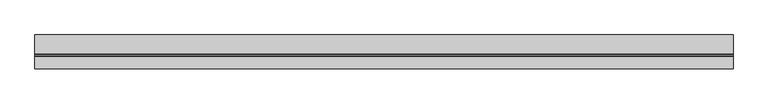
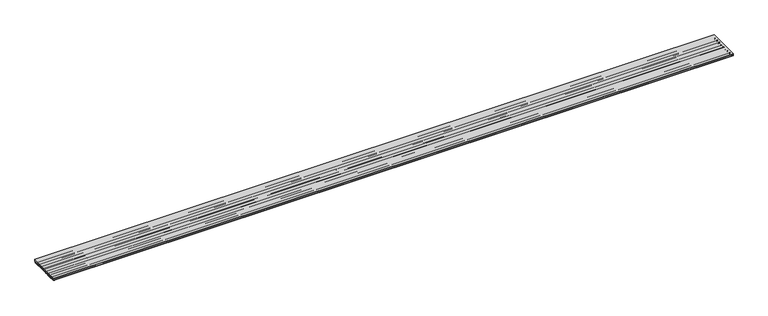
"""IFC4 building model written with IfcOpenShell, lengths in millimetres: beam geometry."""

from ifc_helpers import new_model, si_unit, point, frame, frame_2d, origin, place, context, project, spatial, polyline, circle_curve, trimmed, segment, composite_curve, outline, extrude, source, transform, mapped, element, save


def beam_b6786e03(model_context):
    return source(origin(), model_context, "Body", "SweptSolid", [
        extrude(outline(composite_curve([segment(trimmed(circle_curve(frame_2d((291.0579762, -49.919344)), 17.5155422), [point((273.7759172, -52.7697219))], [point((275.4842479, -57.9351537))], True, "CARTESIAN"), True, "CONTINUOUS"), segment(trimmed(circle_curve(frame_2d((263.6173635, -64.8865282)), 13.7529834), [point((275.4842479, -57.9351537))], [point((277.2756242, -63.2751725))], False, "CARTESIAN"), True, "CONTINUOUS"), segment(trimmed(circle_curve(frame_2d((274.2822159, -63.3344337)), 2.9939948), [point((277.2756242, -63.2751725))], [point((274.2793754, -66.3284271))], False, "CARTESIAN"), True, "CONTINUOUS"), segment(trimmed(circle_curve(frame_2d((260.2793754, -311.1284271)), 245.2), [point((274.2793754, -66.3284271))], [point((246.2793754, -66.3284271))], True, "CARTESIAN"), True, "CONTINUOUS"), segment(trimmed(circle_curve(frame_2d((246.276535, -63.3344337)), 2.9939948), [point((246.2793754, -66.3284271))], [point((243.2831267, -63.2751725))], False, "CARTESIAN"), True, "CONTINUOUS"), segment(trimmed(circle_curve(frame_2d((256.9413874, -64.8865282)), 13.7529834), [point((243.2831267, -63.2751725))], [point((245.074503, -57.9351537))], False, "CARTESIAN"), True, "CONTINUOUS"), segment(trimmed(circle_curve(frame_2d((229.2514698, -49.8147117)), 17.7851049), [point((245.074503, -57.9351537))], [point((246.7793754, -52.8284271))], True, "CARTESIAN"), True, "CONTINUOUS"), segment(trimmed(circle_curve(frame_2d((244.2793754, -52.8284271)), 2.5), [point((246.7793754, -52.8284271))], [point((244.2793754, -50.3284271))], True, "CARTESIAN"), True, "CONTINUOUS"), segment(trimmed(circle_curve(frame_2d((228.2793754, 269.4713776)), 320.1998049), [point((244.2793754, -50.3284271))], [point((212.2793754, -50.3284271))], False, "CARTESIAN"), True, "CONTINUOUS"), segment(trimmed(circle_curve(frame_2d((212.2824355, -52.8358148)), 2.5073896), [point((212.2793754, -50.3284271))], [point((209.7759172, -52.7697219))], True, "CARTESIAN"), True, "CONTINUOUS"), segment(trimmed(circle_curve(frame_2d((227.0579762, -49.919344)), 17.5155422), [point((209.7759172, -52.7697219))], [point((211.4842479, -57.9351537))], True, "CARTESIAN"), True, "CONTINUOUS"), segment(trimmed(circle_curve(frame_2d((199.6173635, -64.8865282)), 13.7529834), [point((211.4842479, -57.9351537))], [point((213.2756242, -63.2751725))], False, "CARTESIAN"), True, "CONTINUOUS"), segment(trimmed(circle_curve(frame_2d((210.2457776, -63.2985236)), 3.0299366), [point((213.2756242, -63.2751725))], [point((210.259919, -66.3284271))], False, "CARTESIAN"), True, "CONTINUOUS"), segment(trimmed(circle_curve(frame_2d((196.2934628, -309.9543964)), 244.0259716), [point((210.259919, -66.3284271))], [point((182.3270065, -66.3284271))], True, "CARTESIAN"), True, "CONTINUOUS"), segment(trimmed(circle_curve(frame_2d((182.3270065, -63.3284271)), 3.0), [point((182.3270065, -66.3284271))], [point((179.3845273, -62.7437766))], False, "CARTESIAN"), True, "CONTINUOUS"), segment(trimmed(circle_curve(frame_2d((192.9413874, -65.058101)), 13.7529834), [point((179.3845273, -62.7437766))], [point((181.074503, -58.1067266))], False, "CARTESIAN"), True, "CONTINUOUS"), segment(trimmed(circle_curve(frame_2d((165.2514698, -49.9862846)), 17.7851049), [point((181.074503, -58.1067266))], [point((182.7793754, -53.0))], True, "CARTESIAN"), True, "CONTINUOUS"), segment(trimmed(circle_curve(frame_2d((180.2780735, -53.0005393)), 2.501302), [point((182.7793754, -53.0))], [point((180.3043598, -50.4993754))], True, "CARTESIAN"), True, "CONTINUOUS"), segment(trimmed(circle_curve(frame_2d((164.2856254, 269.55)), 320.4500001), [point((180.3043598, -50.4993754))], [point((148.2793754, -50.5))], False, "CARTESIAN"), True, "CONTINUOUS"), segment(trimmed(circle_curve(frame_2d((148.2793754, -53.0)), 2.5), [point((148.2793754, -50.5))], [point((145.7793754, -53.0))], True, "CARTESIAN"), True, "CONTINUOUS"), segment(trimmed(circle_curve(frame_2d((163.3072811, -49.9862846)), 17.7851049), [point((145.7793754, -53.0))], [point((147.4842479, -58.1067266))], True, "CARTESIAN"), True, "CONTINUOUS"), segment(trimmed(circle_curve(frame_2d((135.6173635, -65.058101)), 13.7529834), [point((147.4842479, -58.1067266))], [point((149.2756242, -63.4467454))], False, "CARTESIAN"), True, "CONTINUOUS"), segment(trimmed(circle_curve(frame_2d((146.2822159, -63.5060065)), 2.9939948), [point((149.2756242, -63.4467454))], [point((146.2793754, -66.5))], False, "CARTESIAN"), True, "CONTINUOUS"), segment(trimmed(circle_curve(frame_2d((132.2793754, -311.3)), 245.2), [point((146.2793754, -66.5))], [point((118.2793754, -66.5))], True, "CARTESIAN"), True, "CONTINUOUS"), segment(trimmed(circle_curve(frame_2d((118.276535, -63.5060065)), 2.9939948), [point((118.2793754, -66.5))], [point((115.2831267, -63.4467454))], False, "CARTESIAN"), True, "CONTINUOUS"), segment(trimmed(circle_curve(frame_2d((128.9413874, -65.058101)), 13.7529834), [point((115.2831267, -63.4467454))], [point((117.074503, -58.1067266))], False, "CARTESIAN"), True, "CONTINUOUS"), segment(trimmed(circle_curve(frame_2d((101.2514698, -49.9862846)), 17.7851049), [point((117.074503, -58.1067266))], [point((118.7793754, -53.0))], True, "CARTESIAN"), True, "CONTINUOUS"), segment(trimmed(circle_curve(frame_2d((116.2793754, -53.0)), 2.5), [point((118.7793754, -53.0))], [point((116.2913015, -50.5000284))], True, "CARTESIAN"), True, "CONTINUOUS"), segment(trimmed(circle_curve(frame_2d((100.2856229, 269.5497958)), 320.449796), [point((116.2913015, -50.5000284))], [point((84.2793754, -50.5))], False, "CARTESIAN"), True, "CONTINUOUS"), segment(trimmed(circle_curve(frame_2d((84.2793754, -53.0)), 2.5), [point((84.2793754, -50.5))], [point((81.7793754, -53.0))], True, "CARTESIAN"), True, "CONTINUOUS"), segment(trimmed(circle_curve(frame_2d((99.3072811, -49.9862846)), 17.7851049), [point((81.7793754, -53.0))], [point((83.4842479, -58.1067266))], True, "CARTESIAN"), True, "CONTINUOUS"), segment(trimmed(circle_curve(frame_2d((71.6173635, -65.058101)), 13.7529834), [point((83.4842479, -58.1067266))], [point((85.2756242, -63.4467454))], False, "CARTESIAN"), True, "CONTINUOUS"), segment(trimmed(circle_curve(frame_2d((82.2822159, -63.5060065)), 2.9939948), [point((85.2756242, -63.4467454))], [point((82.2793754, -66.5))], False, "CARTESIAN"), True, "CONTINUOUS"), segment(trimmed(circle_curve(frame_2d((68.2793754, -311.3)), 245.2), [point((82.2793754, -66.5))], [point((54.2793754, -66.5))], True, "CARTESIAN"), True, "CONTINUOUS"), segment(trimmed(circle_curve(frame_2d((54.2793754, -63.5)), 3.0), [point((54.2793754, -66.5))], [point((51.3368963, -62.9153495))], False, "CARTESIAN"), True, "CONTINUOUS"), segment(trimmed(circle_curve(frame_2d((65.5304535, -65.3259679)), 14.3968104), [point((51.3368963, -62.9153495))], [point((53.074503, -58.1067266))], False, "CARTESIAN"), True, "CONTINUOUS"), segment(trimmed(circle_curve(frame_2d((37.2514698, -49.9862846)), 17.7851049), [point((53.074503, -58.1067266))], [point((54.7793754, -53.0))], True, "CARTESIAN"), True, "CONTINUOUS"), segment(trimmed(circle_curve(frame_2d((52.2793754, -53.0)), 2.5), [point((54.7793754, -53.0))], [point((52.2793754, -50.5))], True, "CARTESIAN"), True, "CONTINUOUS"), segment(trimmed(circle_curve(frame_2d((36.2793754, 269.2998048)), 320.1998051), [point((52.2793754, -50.5))], [point((20.2793754, -50.5))], False, "CARTESIAN"), True, "CONTINUOUS"), segment(trimmed(circle_curve(frame_2d((20.2793754, -53.0)), 2.5), [point((20.2793754, -50.5))], [point((17.7793754, -53.0))], True, "CARTESIAN"), True, "CONTINUOUS"), segment(trimmed(circle_curve(frame_2d((35.3072811, -49.9862846)), 17.7851049), [point((17.7793754, -53.0))], [point((19.4842479, -58.1067266))], True, "CARTESIAN"), True, "CONTINUOUS"), segment(trimmed(circle_curve(frame_2d((7.6173635, -65.058101)), 13.7529834), [point((19.4842479, -58.1067266))], [point((21.2756242, -63.4467454))], False, "CARTESIAN"), True, "CONTINUOUS"), segment(trimmed(circle_curve(frame_2d((18.2822159, -63.5060065)), 2.9939948), [point((21.2756242, -63.4467454))], [point((18.2793754, -66.5))], False, "CARTESIAN"), True, "CONTINUOUS"), segment(trimmed(circle_curve(frame_2d((4.2793754, -311.3)), 245.2), [point((18.2793754, -66.5))], [point((-9.7206246, -66.5))], True, "CARTESIAN"), True, "CONTINUOUS"), segment(trimmed(circle_curve(frame_2d((-9.723465, -63.5060065)), 2.9939948), [point((-9.7206246, -66.5))], [point((-12.7168733, -63.4467454))], False, "CARTESIAN"), True, "CONTINUOUS"), segment(trimmed(circle_curve(frame_2d((0.9413874, -65.058101)), 13.7529834), [point((-12.7168733, -63.4467454))], [point((-10.925497, -58.1067266))], False, "CARTESIAN"), True, "CONTINUOUS"), segment(trimmed(circle_curve(frame_2d((-26.7485302, -49.9862846)), 17.7851049), [point((-10.925497, -58.1067266))], [point((-9.2206246, -53.0))], True, "CARTESIAN"), True, "CONTINUOUS"), segment(trimmed(circle_curve(frame_2d((-11.7206246, -53.0)), 2.5), [point((-9.2206246, -53.0))], [point((-11.7206246, -50.5))], True, "CARTESIAN"), True, "CONTINUOUS"), segment(trimmed(circle_curve(frame_2d((-27.7206246, 269.2998047)), 320.1998049), [point((-11.7206246, -50.5))], [point((-43.7206246, -50.5))], False, "CARTESIAN"), True, "CONTINUOUS"), segment(trimmed(circle_curve(frame_2d((-43.7206246, -53.0)), 2.5), [point((-43.7206246, -50.5))], [point((-46.2206246, -53.0))], True, "CARTESIAN"), True, "CONTINUOUS"), segment(trimmed(circle_curve(frame_2d((-28.6927189, -49.9862846)), 17.7851049), [point((-46.2206246, -53.0))], [point((-44.5157521, -58.1067266))], True, "CARTESIAN"), True, "CONTINUOUS"), segment(trimmed(circle_curve(frame_2d((-56.3826365, -65.058101)), 13.7529834), [point((-44.5157521, -58.1067266))], [point((-42.7243758, -63.4467454))], False, "CARTESIAN"), True, "CONTINUOUS"), segment(trimmed(circle_curve(frame_2d((-45.7177841, -63.5060065)), 2.9939948), [point((-42.7243758, -63.4467454))], [point((-45.7206246, -66.5))], False, "CARTESIAN"), True, "CONTINUOUS"), segment(trimmed(circle_curve(frame_2d((-59.7206246, -311.3)), 245.2), [point((-45.7206246, -66.5))], [point((-73.7206246, -66.5))], True, "CARTESIAN"), True, "CONTINUOUS"), segment(trimmed(circle_curve(frame_2d((-73.7206246, -63.5)), 3.0), [point((-73.7206246, -66.5))], [point((-76.6631037, -62.9153495))], False, "CARTESIAN"), True, "CONTINUOUS"), segment(trimmed(circle_curve(frame_2d((-62.4695465, -65.3259679)), 14.3968104), [point((-76.6631037, -62.9153495))], [point((-74.925497, -58.1067266))], False, "CARTESIAN"), True, "CONTINUOUS"), segment(trimmed(circle_curve(frame_2d((-90.4992253, -50.0909169)), 17.5155422), [point((-74.925497, -58.1067266))], [point((-73.2171663, -52.9412948))], True, "CARTESIAN"), True, "CONTINUOUS"), segment(trimmed(circle_curve(frame_2d((-75.7234399, -53.0072807)), 2.5071421), [point((-73.2171663, -52.9412948))], [point((-75.7206246, -50.5001402))], True, "CARTESIAN"), True, "CONTINUOUS"), segment(trimmed(circle_curve(frame_2d((-91.7192235, 269.3558014)), 320.2558017), [point((-75.7206246, -50.5001402))], [point((-107.7206246, -50.5))], False, "CARTESIAN"), True, "CONTINUOUS"), segment(trimmed(circle_curve(frame_2d((-107.7206246, -53.0)), 2.5), [point((-107.7206246, -50.5))], [point((-110.2206246, -53.0))], True, "CARTESIAN"), True, "CONTINUOUS"), segment(trimmed(circle_curve(frame_2d((-92.6927189, -49.9862846)), 17.7851049), [point((-110.2206246, -53.0))], [point((-108.5157521, -58.1067266))], True, "CARTESIAN"), True, "CONTINUOUS"), segment(trimmed(circle_curve(frame_2d((-120.3826365, -65.058101)), 13.7529834), [point((-108.5157521, -58.1067266))], [point((-106.7243758, -63.4467454))], False, "CARTESIAN"), True, "CONTINUOUS"), segment(trimmed(circle_curve(frame_2d((-109.7177841, -63.5060065)), 2.9939948), [point((-106.7243758, -63.4467454))], [point((-109.7206246, -66.5))], False, "CARTESIAN"), True, "CONTINUOUS"), segment(trimmed(circle_curve(frame_2d((-123.7206246, -311.3)), 245.2), [point((-109.7206246, -66.5))], [point((-137.7206246, -66.5))], True, "CARTESIAN"), True, "CONTINUOUS"), segment(trimmed(circle_curve(frame_2d((-137.7206246, -63.5)), 3.0), [point((-137.7206246, -66.5))], [point((-140.6631037, -62.9153495))], False, "CARTESIAN"), True, "CONTINUOUS"), segment(trimmed(circle_curve(frame_2d((-126.4695465, -65.3259679)), 14.3968104), [point((-140.6631037, -62.9153495))], [point((-138.925497, -58.1067266))], False, "CARTESIAN"), True, "CONTINUOUS"), segment(trimmed(circle_curve(frame_2d((-154.7485302, -49.9862846)), 17.7851049), [point((-138.925497, -58.1067266))], [point((-137.2206246, -53.0))], True, "CARTESIAN"), True, "CONTINUOUS"), segment(trimmed(circle_curve(frame_2d((-139.7206246, -53.0)), 2.5), [point((-137.2206246, -53.0))], [point((-139.7206246, -50.5))], True, "CARTESIAN"), True, "CONTINUOUS"), segment(trimmed(circle_curve(frame_2d((-155.7206246, 269.2998047)), 320.1998049), [point((-139.7206246, -50.5))], [point((-171.7206246, -50.5))], False, "CARTESIAN"), True, "CONTINUOUS"), segment(trimmed(circle_curve(frame_2d((-171.7206246, -53.0)), 2.5), [point((-171.7206246, -50.5))], [point((-174.2206246, -53.0))], True, "CARTESIAN"), True, "CONTINUOUS"), segment(trimmed(circle_curve(frame_2d((-156.6927189, -49.9862846)), 17.7851049), [point((-174.2206246, -53.0))], [point((-172.5157521, -58.1067266))], True, "CARTESIAN"), True, "CONTINUOUS"), segment(trimmed(circle_curve(frame_2d((-184.3826365, -65.058101)), 13.7529834), [point((-172.5157521, -58.1067266))], [point((-170.7243758, -63.4467454))], False, "CARTESIAN"), True, "CONTINUOUS"), segment(trimmed(circle_curve(frame_2d((-173.7177841, -63.5060065)), 2.9939948), [point((-170.7243758, -63.4467454))], [point((-173.7206246, -66.5))], False, "CARTESIAN"), True, "CONTINUOUS"), segment(trimmed(circle_curve(frame_2d((-187.7206246, -311.3)), 245.2), [point((-173.7206246, -66.5))], [point((-201.7206246, -66.5))], True, "CARTESIAN"), True, "CONTINUOUS"), segment(trimmed(circle_curve(frame_2d((-201.7206246, -63.5)), 3.0), [point((-201.7206246, -66.5))], [point((-204.6631037, -62.9153495))], False, "CARTESIAN"), True, "CONTINUOUS"), segment(trimmed(circle_curve(frame_2d((-190.4695465, -65.3259679)), 14.3968104), [point((-204.6631037, -62.9153495))], [point((-202.925497, -58.1067266))], False, "CARTESIAN"), True, "CONTINUOUS"), segment(trimmed(circle_curve(frame_2d((-218.7485302, -49.9862846)), 17.7851049), [point((-202.925497, -58.1067266))], [point((-201.2206246, -53.0))], True, "CARTESIAN"), True, "CONTINUOUS"), segment(trimmed(circle_curve(frame_2d((-203.7206246, -53.0)), 2.5), [point((-201.2206246, -53.0))], [point((-203.7206246, -50.5))], True, "CARTESIAN"), True, "CONTINUOUS"), segment(trimmed(circle_curve(frame_2d((-219.7206246, 269.2998047)), 320.1998049), [point((-203.7206246, -50.5))], [point((-235.7206246, -50.5))], False, "CARTESIAN"), True, "CONTINUOUS"), segment(trimmed(circle_curve(frame_2d((-235.7175645, -53.0073877)), 2.5073896), [point((-235.7206246, -50.5))], [point((-238.2240828, -52.9412948))], True, "CARTESIAN"), True, "CONTINUOUS"), segment(trimmed(circle_curve(frame_2d((-220.9420238, -50.0909169)), 17.5155422), [point((-238.2240828, -52.9412948))], [point((-236.5157521, -58.1067266))], True, "CARTESIAN"), True, "CONTINUOUS"), segment(trimmed(circle_curve(frame_2d((-248.3826365, -65.058101)), 13.7529834), [point((-236.5157521, -58.1067266))], [point((-234.7243758, -63.4467454))], False, "CARTESIAN"), True, "CONTINUOUS"), segment(trimmed(circle_curve(frame_2d((-237.7177841, -63.5060065)), 2.9939948), [point((-234.7243758, -63.4467454))], [point((-237.7206246, -66.5))], False, "CARTESIAN"), True, "CONTINUOUS"), segment(trimmed(circle_curve(frame_2d((-251.7206246, -311.3)), 245.2), [point((-237.7206246, -66.5))], [point((-265.7206246, -66.5))], True, "CARTESIAN"), True, "CONTINUOUS"), segment(trimmed(circle_curve(frame_2d((-265.7206246, -63.5)), 3.0), [point((-265.7206246, -66.5))], [point((-268.6631037, -62.9153495))], False, "CARTESIAN"), True, "CONTINUOUS"), segment(trimmed(circle_curve(frame_2d((-254.4695465, -65.3259679)), 14.3968104), [point((-268.6631037, -62.9153495))], [point((-266.925497, -58.1067266))], False, "CARTESIAN"), True, "CONTINUOUS"), segment(trimmed(circle_curve(frame_2d((-282.7485302, -49.9862846)), 17.7851049), [point((-266.925497, -58.1067266))], [point((-265.2206246, -53.0))], True, "CARTESIAN"), True, "CONTINUOUS"), segment(trimmed(circle_curve(frame_2d((-267.7206246, -53.0)), 2.5), [point((-265.2206246, -53.0))], [point((-267.7206246, -50.5))], True, "CARTESIAN"), True, "CONTINUOUS"), segment(trimmed(circle_curve(frame_2d((-283.7255084, 269.4609277)), 320.3609707), [point((-267.7206246, -50.5))], [point((-290.0, -50.838592))], False, "CARTESIAN"), True, "CONTINUOUS"), segment(polyline([(-290.0, -50.838592), (-290.0, -50.0), (-267.7206246, -50.0)]), True, "CONTINUOUS"), segment(trimmed(circle_curve(frame_2d((-267.7206246, -53.0)), 3.0), [point((-267.7206246, -50.0))], [point((-264.7206246, -53.0))], False, "CARTESIAN"), True, "CONTINUOUS"), segment(trimmed(circle_curve(frame_2d((-282.2773337, -50.1454128)), 17.7872624), [point((-264.7206246, -53.0))], [point((-266.5231947, -58.4033671))], False, "CARTESIAN"), True, "CONTINUOUS"), segment(trimmed(circle_curve(frame_2d((-254.9987209, -65.0714883)), 13.3145536), [point((-266.5231947, -58.4033671))], [point((-268.2182073, -63.4832452))], True, "CARTESIAN"), True, "CONTINUOUS"), segment(trimmed(circle_curve(frame_2d((-265.7227134, -63.5044172)), 2.4955837), [point((-268.2182073, -63.4832452))], [point((-265.7206246, -66.0))], True, "CARTESIAN"), True, "CONTINUOUS"), segment(trimmed(circle_curve(frame_2d((-251.7206246, -310.7997449)), 245.1997453), [point((-265.7206246, -66.0))], [point((-237.7206246, -66.0))], False, "CARTESIAN"), True, "CONTINUOUS"), segment(trimmed(circle_curve(frame_2d((-237.7185357, -63.5044172)), 2.4955837), [point((-237.7206246, -66.0))], [point((-235.2230418, -63.4832452))], True, "CARTESIAN"), True, "CONTINUOUS"), segment(trimmed(circle_curve(frame_2d((-248.4425282, -65.0714883)), 13.3145536), [point((-235.2230418, -63.4832452))], [point((-236.9180544, -58.4033671))], True, "CARTESIAN"), True, "CONTINUOUS"), segment(trimmed(circle_curve(frame_2d((-221.1639154, -50.1454128)), 17.7872624), [point((-236.9180544, -58.4033671))], [point((-238.7206246, -53.0))], False, "CARTESIAN"), True, "CONTINUOUS"), segment(trimmed(circle_curve(frame_2d((-235.7206246, -53.0)), 3.0), [point((-238.7206246, -53.0))], [point((-235.7206246, -50.0))], False, "CARTESIAN"), True, "CONTINUOUS"), segment(trimmed(circle_curve(frame_2d((-219.7206246, 269.8)), 320.2), [point((-235.7206246, -50.0))], [point((-203.7206246, -50.0))], True, "CARTESIAN"), True, "CONTINUOUS"), segment(trimmed(circle_curve(frame_2d((-203.7206246, -53.0)), 3.0), [point((-203.7206246, -50.0))], [point((-200.7206246, -53.0))], False, "CARTESIAN"), True, "CONTINUOUS"), segment(trimmed(circle_curve(frame_2d((-218.2773337, -50.1454128)), 17.7872624), [point((-200.7206246, -53.0))], [point((-202.5231947, -58.4033671))], False, "CARTESIAN"), True, "CONTINUOUS"), segment(trimmed(circle_curve(frame_2d((-190.9987209, -65.0714883)), 13.3145536), [point((-202.5231947, -58.4033671))], [point((-204.2182073, -63.4832452))], True, "CARTESIAN"), True, "CONTINUOUS"), segment(trimmed(circle_curve(frame_2d((-201.7227134, -63.5044172)), 2.4955837), [point((-204.2182073, -63.4832452))], [point((-201.7206246, -66.0))], True, "CARTESIAN"), True, "CONTINUOUS"), segment(trimmed(circle_curve(frame_2d((-187.7206246, -310.7997449)), 245.1997453), [point((-201.7206246, -66.0))], [point((-173.7206246, -66.0))], False, "CARTESIAN"), True, "CONTINUOUS"), segment(trimmed(circle_curve(frame_2d((-173.7185357, -63.5044172)), 2.4955837), [point((-173.7206246, -66.0))], [point((-171.2230418, -63.4832452))], True, "CARTESIAN"), True, "CONTINUOUS"), segment(trimmed(circle_curve(frame_2d((-184.4425282, -65.0714883)), 13.3145536), [point((-171.2230418, -63.4832452))], [point((-172.9180544, -58.4033671))], True, "CARTESIAN"), True, "CONTINUOUS"), segment(trimmed(circle_curve(frame_2d((-157.1639154, -50.1454128)), 17.7872624), [point((-172.9180544, -58.4033671))], [point((-174.7206246, -53.0))], False, "CARTESIAN"), True, "CONTINUOUS"), segment(trimmed(circle_curve(frame_2d((-171.7206246, -53.0)), 3.0), [point((-174.7206246, -53.0))], [point((-171.7206246, -50.0))], False, "CARTESIAN"), True, "CONTINUOUS"), segment(trimmed(circle_curve(frame_2d((-155.7206246, 269.8)), 320.2), [point((-171.7206246, -50.0))], [point((-139.7206246, -50.0))], True, "CARTESIAN"), True, "CONTINUOUS"), segment(trimmed(circle_curve(frame_2d((-139.7206246, -53.0)), 3.0), [point((-139.7206246, -50.0))], [point((-136.7206246, -53.0))], False, "CARTESIAN"), True, "CONTINUOUS"), segment(trimmed(circle_curve(frame_2d((-154.2773337, -50.1454128)), 17.7872624), [point((-136.7206246, -53.0))], [point((-138.5231947, -58.4033671))], False, "CARTESIAN"), True, "CONTINUOUS"), segment(trimmed(circle_curve(frame_2d((-126.9987209, -65.0714883)), 13.3145536), [point((-138.5231947, -58.4033671))], [point((-140.2182073, -63.4832452))], True, "CARTESIAN"), True, "CONTINUOUS"), segment(trimmed(circle_curve(frame_2d((-137.7227134, -63.5044172)), 2.4955837), [point((-140.2182073, -63.4832452))], [point((-137.7206246, -66.0))], True, "CARTESIAN"), True, "CONTINUOUS"), segment(trimmed(circle_curve(frame_2d((-123.7134817, -311.05)), 245.4500001), [point((-137.7206246, -66.0))], [point((-109.6920764, -66.0008157))], False, "CARTESIAN"), True, "CONTINUOUS"), segment(trimmed(circle_curve(frame_2d((-109.7201861, -63.5037454)), 2.4972285), [point((-109.6920764, -66.0008157))], [point((-107.2230418, -63.4832452))], True, "CARTESIAN"), True, "CONTINUOUS"), segment(trimmed(circle_curve(frame_2d((-120.4425282, -65.0714883)), 13.3145536), [point((-107.2230418, -63.4832452))], [point((-108.9180544, -58.4033671))], True, "CARTESIAN"), True, "CONTINUOUS"), segment(trimmed(circle_curve(frame_2d((-93.1639154, -50.1454128)), 17.7872624), [point((-108.9180544, -58.4033671))], [point((-110.7206246, -53.0))], False, "CARTESIAN"), True, "CONTINUOUS"), segment(trimmed(circle_curve(frame_2d((-107.7206246, -53.0)), 3.0), [point((-110.7206246, -53.0))], [point((-107.7206246, -50.0))], False, "CARTESIAN"), True, "CONTINUOUS"), segment(trimmed(circle_curve(frame_2d((-91.7206246, 269.8)), 320.2), [point((-107.7206246, -50.0))], [point((-75.7206246, -50.0))], True, "CARTESIAN"), True, "CONTINUOUS"), segment(trimmed(circle_curve(frame_2d((-75.7206246, -53.0)), 3.0), [point((-75.7206246, -50.0))], [point((-72.7206246, -53.0))], False, "CARTESIAN"), True, "CONTINUOUS"), segment(trimmed(circle_curve(frame_2d((-90.2773337, -50.1454128)), 17.7872624), [point((-72.7206246, -53.0))], [point((-74.5231947, -58.4033671))], False, "CARTESIAN"), True, "CONTINUOUS"), segment(trimmed(circle_curve(frame_2d((-62.9987209, -65.0714883)), 13.3145536), [point((-74.5231947, -58.4033671))], [point((-76.2182073, -63.4832452))], True, "CARTESIAN"), True, "CONTINUOUS"), segment(trimmed(circle_curve(frame_2d((-73.7227134, -63.5044172)), 2.4955837), [point((-76.2182073, -63.4832452))], [point((-73.7206246, -66.0))], True, "CARTESIAN"), True, "CONTINUOUS"), segment(trimmed(circle_curve(frame_2d((-59.7206246, -310.7997449)), 245.1997453), [point((-73.7206246, -66.0))], [point((-45.7206246, -66.0))], False, "CARTESIAN"), True, "CONTINUOUS"), segment(trimmed(circle_curve(frame_2d((-45.7185357, -63.5044172)), 2.4955837), [point((-45.7206246, -66.0))], [point((-43.2230418, -63.4832452))], True, "CARTESIAN"), True, "CONTINUOUS"), segment(trimmed(circle_curve(frame_2d((-56.4425282, -65.0714883)), 13.3145536), [point((-43.2230418, -63.4832452))], [point((-44.9180544, -58.4033671))], True, "CARTESIAN"), True, "CONTINUOUS"), segment(trimmed(circle_curve(frame_2d((-29.1639154, -50.1454128)), 17.7872624), [point((-44.9180544, -58.4033671))], [point((-46.7206246, -53.0))], False, "CARTESIAN"), True, "CONTINUOUS"), segment(trimmed(circle_curve(frame_2d((-43.7206246, -53.0)), 3.0), [point((-46.7206246, -53.0))], [point((-43.7206246, -50.0))], False, "CARTESIAN"), True, "CONTINUOUS"), segment(trimmed(circle_curve(frame_2d((-27.7206246, 269.8)), 320.2), [point((-43.7206246, -50.0))], [point((-11.7206246, -50.0))], True, "CARTESIAN"), True, "CONTINUOUS"), segment(trimmed(circle_curve(frame_2d((-11.7206246, -53.0)), 3.0), [point((-11.7206246, -50.0))], [point((-8.7206246, -53.0))], False, "CARTESIAN"), True, "CONTINUOUS"), segment(trimmed(circle_curve(frame_2d((-26.2773337, -50.1454128)), 17.7872624), [point((-8.7206246, -53.0))], [point((-10.5231947, -58.4033671))], False, "CARTESIAN"), True, "CONTINUOUS"), segment(trimmed(circle_curve(frame_2d((1.0012791, -65.0714883)), 13.3145536), [point((-10.5231947, -58.4033671))], [point((-12.2182073, -63.4832452))], True, "CARTESIAN"), True, "CONTINUOUS"), segment(trimmed(circle_curve(frame_2d((-9.7227134, -63.5044172)), 2.4955837), [point((-12.2182073, -63.4832452))], [point((-9.7206246, -66.0))], True, "CARTESIAN"), True, "CONTINUOUS"), segment(trimmed(circle_curve(frame_2d((4.2793754, -310.7997449)), 245.1997453), [point((-9.7206246, -66.0))], [point((18.2793754, -66.0))], False, "CARTESIAN"), True, "CONTINUOUS"), segment(trimmed(circle_curve(frame_2d((18.2814643, -63.5044172)), 2.4955837), [point((18.2793754, -66.0))], [point((20.7769582, -63.4832452))], True, "CARTESIAN"), True, "CONTINUOUS"), segment(trimmed(circle_curve(frame_2d((7.5574718, -65.0714883)), 13.3145536), [point((20.7769582, -63.4832452))], [point((19.0819456, -58.4033671))], True, "CARTESIAN"), True, "CONTINUOUS"), segment(trimmed(circle_curve(frame_2d((34.8360846, -50.1454128)), 17.7872624), [point((19.0819456, -58.4033671))], [point((17.2793754, -53.0))], False, "CARTESIAN"), True, "CONTINUOUS"), segment(trimmed(circle_curve(frame_2d((20.2793754, -53.0)), 3.0), [point((17.2793754, -53.0))], [point((20.2793754, -50.0))], False, "CARTESIAN"), True, "CONTINUOUS"), segment(trimmed(circle_curve(frame_2d((36.2793754, 269.8)), 320.2), [point((20.2793754, -50.0))], [point((52.2793754, -50.0))], True, "CARTESIAN"), True, "CONTINUOUS"), segment(trimmed(circle_curve(frame_2d((52.2793754, -53.0)), 3.0), [point((52.2793754, -50.0))], [point((55.2793754, -53.0))], False, "CARTESIAN"), True, "CONTINUOUS"), segment(trimmed(circle_curve(frame_2d((37.7226663, -50.1454128)), 17.7872624), [point((55.2793754, -53.0))], [point((53.4768053, -58.4033671))], False, "CARTESIAN"), True, "CONTINUOUS"), segment(trimmed(circle_curve(frame_2d((65.0012791, -65.0714883)), 13.3145536), [point((53.4768053, -58.4033671))], [point((51.7817927, -63.4832452))], True, "CARTESIAN"), True, "CONTINUOUS"), segment(trimmed(circle_curve(frame_2d((54.2772866, -63.5044172)), 2.4955837), [point((51.7817927, -63.4832452))], [point((54.2793754, -66.0))], True, "CARTESIAN"), True, "CONTINUOUS"), segment(trimmed(circle_curve(frame_2d((68.2793754, -310.7997449)), 245.1997453), [point((54.2793754, -66.0))], [point((82.2793754, -66.0))], False, "CARTESIAN"), True, "CONTINUOUS"), segment(trimmed(circle_curve(frame_2d((82.2814643, -63.5044172)), 2.4955837), [point((82.2793754, -66.0))], [point((84.7769582, -63.4832452))], True, "CARTESIAN"), True, "CONTINUOUS"), segment(trimmed(circle_curve(frame_2d((71.5574718, -65.0714883)), 13.3145536), [point((84.7769582, -63.4832452))], [point((83.0819456, -58.4033671))], True, "CARTESIAN"), True, "CONTINUOUS"), segment(trimmed(circle_curve(frame_2d((98.8360846, -50.1454128)), 17.7872624), [point((83.0819456, -58.4033671))], [point((81.2793754, -53.0))], False, "CARTESIAN"), True, "CONTINUOUS"), segment(trimmed(circle_curve(frame_2d((84.2793754, -53.0)), 3.0), [point((81.2793754, -53.0))], [point((84.2793754, -50.0))], False, "CARTESIAN"), True, "CONTINUOUS"), segment(trimmed(circle_curve(frame_2d((100.2793754, 269.8)), 320.2), [point((84.2793754, -50.0))], [point((116.2793754, -50.0))], True, "CARTESIAN"), True, "CONTINUOUS"), segment(trimmed(circle_curve(frame_2d((116.2793754, -53.0)), 3.0), [point((116.2793754, -50.0))], [point((119.2793754, -53.0))], False, "CARTESIAN"), True, "CONTINUOUS"), segment(trimmed(circle_curve(frame_2d((101.7226663, -50.1454128)), 17.7872624), [point((119.2793754, -53.0))], [point((117.4768053, -58.4033671))], False, "CARTESIAN"), True, "CONTINUOUS"), segment(trimmed(circle_curve(frame_2d((129.0012791, -65.0714883)), 13.3145536), [point((117.4768053, -58.4033671))], [point((115.7817927, -63.4832452))], True, "CARTESIAN"), True, "CONTINUOUS"), segment(trimmed(circle_curve(frame_2d((118.2772866, -63.5044172)), 2.4955837), [point((115.7817927, -63.4832452))], [point((118.2655637, -65.9999733))], True, "CARTESIAN"), True, "CONTINUOUS"), segment(trimmed(circle_curve(frame_2d((132.2793754, -311.3)), 245.7), [point((118.2655637, -65.9999733))], [point((146.3079236, -66.0008157))], False, "CARTESIAN"), True, "CONTINUOUS"), segment(trimmed(circle_curve(frame_2d((146.2798139, -63.5037454)), 2.4972285), [point((146.3079236, -66.0008157))], [point((148.7769582, -63.4832452))], True, "CARTESIAN"), True, "CONTINUOUS"), segment(trimmed(circle_curve(frame_2d((135.5574718, -65.0714883)), 13.3145536), [point((148.7769582, -63.4832452))], [point((147.0819456, -58.4033671))], True, "CARTESIAN"), True, "CONTINUOUS"), segment(trimmed(circle_curve(frame_2d((162.8360846, -50.1454128)), 17.7872624), [point((147.0819456, -58.4033671))], [point((145.2793754, -53.0))], False, "CARTESIAN"), True, "CONTINUOUS"), segment(trimmed(circle_curve(frame_2d((148.2793754, -53.0)), 3.0), [point((145.2793754, -53.0))], [point((148.2793754, -50.0))], False, "CARTESIAN"), True, "CONTINUOUS"), segment(trimmed(circle_curve(frame_2d((164.2793754, 269.8)), 320.2), [point((148.2793754, -50.0))], [point((180.2793754, -50.0))], True, "CARTESIAN"), True, "CONTINUOUS"), segment(trimmed(circle_curve(frame_2d((180.2793754, -53.0)), 3.0), [point((180.2793754, -50.0))], [point((183.2793754, -53.0))], False, "CARTESIAN"), True, "CONTINUOUS"), segment(trimmed(circle_curve(frame_2d((165.7226663, -50.1454128)), 17.7872624), [point((183.2793754, -53.0))], [point((181.4768053, -58.4033671))], False, "CARTESIAN"), True, "CONTINUOUS"), segment(trimmed(circle_curve(frame_2d((193.0012791, -65.0714883)), 13.3145536), [point((181.4768053, -58.4033671))], [point((179.8742804, -62.8445522))], True, "CARTESIAN"), True, "CONTINUOUS"), segment(trimmed(circle_curve(frame_2d((182.3270066, -63.3284272)), 2.5000001), [point((179.8742804, -62.8445522))], [point((182.3270066, -65.8284273))], True, "CARTESIAN"), True, "CONTINUOUS"), segment(trimmed(circle_curve(frame_2d((196.2934629, -309.4535424)), 244.0251188), [point((182.3270066, -65.8284273))], [point((210.2599193, -65.8284273))], False, "CARTESIAN"), True, "CONTINUOUS"), segment(trimmed(circle_curve(frame_2d((210.2599193, -63.3284272)), 2.5000001), [point((210.2599193, -65.8284273))], [point((212.7573712, -63.2155808))], True, "CARTESIAN"), True, "CONTINUOUS"), segment(trimmed(circle_curve(frame_2d((199.7355779, -64.8196735)), 13.1202216), [point((212.7573712, -63.2155808))], [point((211.0819466, -58.2317959))], True, "CARTESIAN"), True, "CONTINUOUS"), segment(trimmed(circle_curve(frame_2d((226.8360855, -49.973843)), 17.7872617), [point((211.0819466, -58.2317959))], [point((209.2793777, -52.8284342))], False, "CARTESIAN"), True, "CONTINUOUS"), segment(trimmed(circle_curve(frame_2d((212.2793685, -52.8284342)), 2.9999907), [point((209.2793777, -52.8284342))], [point((212.2793685, -49.8284434))], False, "CARTESIAN"), True, "CONTINUOUS"), segment(trimmed(circle_curve(frame_2d((228.2793642, 269.9715643)), 320.2000075), [point((212.2793685, -49.8284434))], [point((244.2793472, -49.8284441))], True, "CARTESIAN"), True, "CONTINUOUS"), segment(trimmed(circle_curve(frame_2d((244.2793472, -52.8284189)), 2.9999748), [point((244.2793472, -49.8284441))], [point((247.279322, -52.8284189))], False, "CARTESIAN"), True, "CONTINUOUS"), segment(trimmed(circle_curve(frame_2d((229.7226288, -49.9738529)), 17.7872432), [point((247.279322, -52.8284189))], [point((245.4767232, -58.2318511))], False, "CARTESIAN"), True, "CONTINUOUS"), segment(trimmed(circle_curve(frame_2d((257.0012195, -64.9000572)), 13.3146156), [point((245.4767232, -58.2318511))], [point((243.7816499, -63.3119871))], True, "CARTESIAN"), True, "CONTINUOUS"), segment(trimmed(circle_curve(frame_2d((246.2776545, -63.3333306)), 2.4960959), [point((243.7816499, -63.3119871))], [point((246.2799694, -65.8294254))], True, "CARTESIAN"), True, "CONTINUOUS"), segment(trimmed(circle_curve(frame_2d((260.2872743, -310.8789562)), 245.4495409), [point((246.2799694, -65.8294254))], [point((274.3096997, -65.8302902))], False, "CARTESIAN"), True, "CONTINUOUS"), segment(trimmed(circle_curve(frame_2d((274.2825315, -63.3306997)), 2.4997382), [point((274.3096997, -65.8302902))], [point((276.7821833, -63.3099175))], True, "CARTESIAN"), True, "CONTINUOUS"), segment(trimmed(circle_curve(frame_2d((263.5601377, -64.8986212)), 13.3171494), [point((276.7821833, -63.3099175))], [point((275.0877676, -58.2307716))], True, "CARTESIAN"), True, "CONTINUOUS"), segment(trimmed(circle_curve(frame_2d((290.839643, -49.9757546)), 17.783894), [point((275.0877676, -58.2307716))], [point((273.2865664, -52.8316933))], False, "CARTESIAN"), True, "CONTINUOUS"), segment(trimmed(circle_curve(frame_2d((276.2931926, -52.8316933)), 3.0066262), [point((273.2865664, -52.8316933))], [point((276.2931926, -49.8250671))], False, "CARTESIAN"), True, "CONTINUOUS"), segment(polyline([(276.2931926, -49.8250671), (290.0015684, -50.0), (290.0015684, -50.838592), (276.3759305, -50.330169)]), True, "CONTINUOUS"), segment(trimmed(circle_curve(frame_2d((276.2824355, -52.8358148)), 2.5073896), [point((276.3759305, -50.330169))], [point((273.7759172, -52.7697219))], True, "CARTESIAN"), True, "CONTINUOUS")], self_intersect=False)), frame((-6000.0, 0.0, 0.0), z_axis=(1.0, 0.0, 0.0), x_axis=(0.0, 1.0, 0.0)), (0.0, 0.0, 1.0), 12000.0),
        extrude(outline(polyline([(6000.0, 290.0), (6000.0, -290.0), (-6000.0, -290.0), (-6000.0, 290.0), (6000.0, 290.0)])), frame((0.0, 0.0, -50.0), z_axis=(0.0, 0.0, 1.0), x_axis=(1.0, 0.0, 0.0)), (0.0, 0.0, 1.0), 36.0),
    ])


if __name__ == "__main__":
    model = new_model("IFC4")
    model_context = context("Model", 3, world=origin())
    ifc_project = project(units=[si_unit("LENGTHUNIT", "METRE", prefix="MILLI")], contexts=[model_context])
    site = spatial("IfcSite", under=ifc_project)
    building = spatial("IfcBuilding", under=site)
    placement = place(None, origin())
    beam_shape = beam_b6786e03(model_context)
    element("IfcBeam", 1, at=placement, inside=building, context=model_context, shape_type="MappedRepresentation", body=[
        mapped(beam_shape, transform((0.0, 0.0, 0.0), x_axis=(1.0, 0.0, 0.0), y_axis=(0.0, 1.0, 0.0), z_axis=(0.0, 0.0, 1.0))),
    ])
    save(model, "model.ifc")
